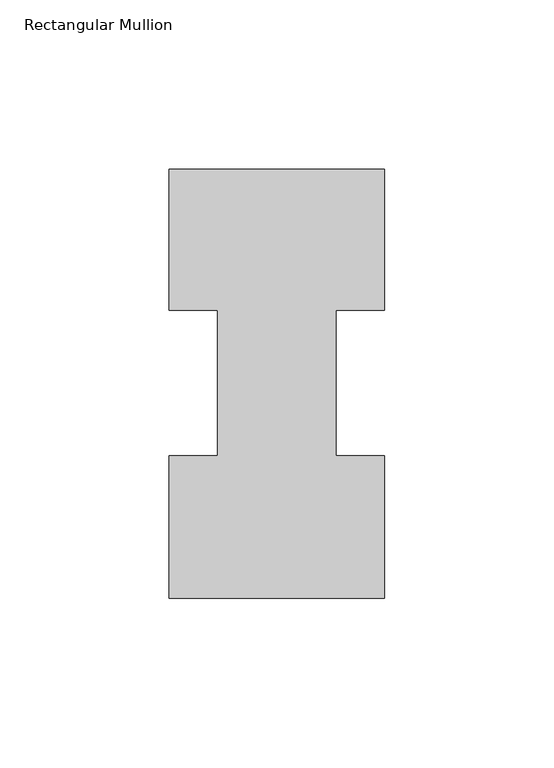
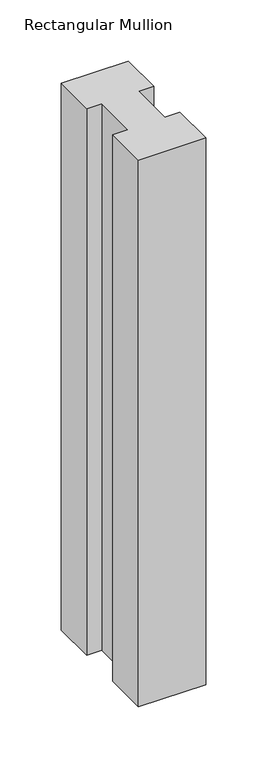
"""IFC4 building model written with IfcOpenShell, lengths in millimetres: member geometry, Rectangular Mullion."""

from ifc_helpers import new_model, si_unit, frame, origin, place, context, project, spatial, polyline, outline, extrude, source, transform, mapped, element, save


def rectangular_mullion_cde9877e(model_context):
    return source(origin(), model_context, "Body", "SweptSolid", [
        extrude(outline(polyline([(-63.5, 0.04445), (-63.5, 42.08145), (-49.2125, 42.08145), (-49.2125, 84.93125), (-63.5, 84.93125), (-63.5, 126.53645), (0.0, 126.53645), (0.0, 84.93125), (-14.2748, 84.93125), (-14.2748, 42.08145), (0.0, 42.08145), (0.0, 0.04445), (-63.5, 0.04445)])), frame((0.0, 0.0, -546.0999994), z_axis=(0.0, 0.0, 1.0), x_axis=(1.0, 0.0, 0.0)), (0.0, 0.0, 1.0), 546.0999994),
    ])


if __name__ == "__main__":
    model = new_model("IFC4")
    model_context = context("Model", 3, world=origin())
    ifc_project = project(units=[si_unit("LENGTHUNIT", "METRE", prefix="MILLI")], contexts=[model_context])
    site = spatial("IfcSite", under=ifc_project)
    building = spatial("IfcBuilding", under=site)
    placement = place(None, origin())
    rectangular_mullion_shape = rectangular_mullion_cde9877e(model_context)
    element("IfcMember", 1, ObjectType="Rectangular Mullion", at=placement, inside=building, context=model_context, shape_type="MappedRepresentation", body=[
        mapped(rectangular_mullion_shape, transform((0.0, 0.0, 0.0), x_axis=(1.0, 0.0, 0.0), y_axis=(0.0, 1.0, 0.0), z_axis=(0.0, 0.0, 1.0))),
    ])
    save(model, "model.ifc")
